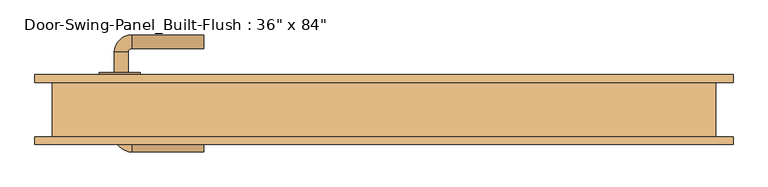
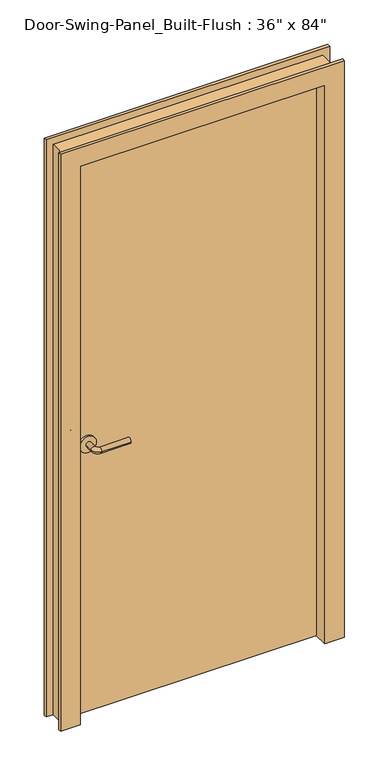
"""IFC4 building model written with IfcOpenShell, lengths in millimetres: door geometry."""

from ifc_helpers import new_model, si_unit, point, frame, frame_2d, origin, origin_with_axes, place, context, project, spatial, polyline, circle_curve, ellipse_curve, trimmed, segment, composite_curve, outline, extrude, faceted_brep, source, transform, mapped, element, save
from ifc_brep_helpers import plane_surface, cylinder_surface, revolved_surface, advanced_brep


def door_cb421bfc(model_context):
    return source(origin(), model_context, "Body", "SolidModel", [
        advanced_brep(
        [(-392.190625, -0.0623368, 1016.0), (-372.190625, -0.0623368, 1016.0), (-372.190625, -30.0623368, 1016.0), (-392.190625, -30.0623368, 1016.0), (-367.190625, -35.0623368, 1016.0), (-367.190625, -55.0623368, 1016.0), (-262.190625, -55.0623368, 1016.0), (-262.190625, -35.0623368, 1016.0)],
        [
            (0, 1, circle_curve(frame((-382.190625, -0.0623368, 1016.0), z_axis=(0.0, 1.0, 0.0), x_axis=(1.0, 0.0, 0.0)), 10.0)),
            (1, 0, circle_curve(frame((-382.190625, -0.0623368, 1016.0), z_axis=(0.0, 1.0, 0.0), x_axis=(1.0, 0.0, 0.0)), 10.0)),
            (1, 2),
            (2, 3, circle_curve(frame((-382.190625, -30.0623368, 1016.0), z_axis=(0.0, 1.0, 0.0), x_axis=(1.0, 0.0, 0.0)), 10.0)),
            (3, 0),
            (3, 2, circle_curve(frame((-382.190625, -30.0623368, 1016.0), z_axis=(0.0, 1.0, 0.0), x_axis=(1.0, 0.0, 0.0)), 10.0)),
            (4, 5, circle_curve(frame((-367.190625, -45.0623368, 1016.0), z_axis=(-1.0, 0.0, 0.0), x_axis=(0.0, 1.0, 0.0)), 10.0)),
            (5, 3, circle_curve(frame((-367.190625, -30.0623368, 1016.0), z_axis=(0.0, 0.0, -1.0), x_axis=(-1.0, 0.0, 0.0)), 25.0)),
            (2, 4, circle_curve(frame((-367.190625, -30.0623368, 1016.0), z_axis=(0.0, 0.0, 1.0), x_axis=(-1.0, 0.0, 0.0)), 5.0)),
            (5, 4, circle_curve(frame((-367.190625, -45.0623368, 1016.0), z_axis=(-1.0, 0.0, 0.0), x_axis=(0.0, 1.0, 0.0)), 10.0)),
            (6, 7, circle_curve(frame((-262.190625, -45.0623368, 1016.0), z_axis=(1.0, 0.0, 0.0), x_axis=(0.0, 1.0, 0.0)), 10.0)),
            (7, 6, circle_curve(frame((-262.190625, -45.0623368, 1016.0), z_axis=(1.0, 0.0, 0.0), x_axis=(0.0, 1.0, 0.0)), 10.0)),
            (4, 7),
            (6, 5),
        ],
        [
            plane_surface(frame((-382.190625, -0.0623368, 1016.0), z_axis=(0.0, 1.0, 0.0), x_axis=(0.0, 0.0, 1.0))),
            cylinder_surface(frame((-382.190625, -0.0623368, 1016.0), z_axis=(0.0, 1.0, 0.0), x_axis=(1.0, 0.0, 0.0)), 10.0),
            revolved_surface(trimmed(ellipse_curve(frame((-382.190625, -30.0623368, 1016.0), z_axis=(0.0, -1.0, 0.0), x_axis=(1.0, 0.0, 0.0)), 10.0, 10.0), [point((-392.190625, -30.0623368, 1016.0))], [point((-372.190625, -30.0623368, 1016.0))], True, "CARTESIAN"), (-367.190625, -30.0623368, 1016.0), (0.0, 0.0, -1.0)),
            revolved_surface(trimmed(ellipse_curve(frame((-382.190625, -30.0623368, 1016.0), z_axis=(0.0, -1.0, 0.0), x_axis=(1.0, 0.0, 0.0)), 10.0, 10.0), [point((-372.190625, -30.0623368, 1016.0))], [point((-392.190625, -30.0623368, 1016.0))], True, "CARTESIAN"), (-367.190625, -30.0623368, 1016.0), (0.0, 0.0, -1.0)),
            plane_surface(frame((-262.190625, -45.0623368, 1016.0), z_axis=(1.0, 0.0, 0.0), x_axis=(0.0, 0.0, 1.0))),
            cylinder_surface(frame((-367.190625, -45.0623368, 1016.0), z_axis=(-1.0, 0.0, 0.0), x_axis=(0.0, 1.0, 0.0)), 10.0),
        ],
        [
            (0, [[1, 2]]),
            (1, [[3, 4, 5, -2]]),
            (1, [[-5, 6, -3, -1]]),
            (2, [[7, 8, -4, 9]]),
            (3, [[10, -9, -6, -8]]),
            (4, [[11, 12]]),
            (5, [[13, -11, 14, -7]]),
            (5, [[-14, -12, -13, -10]]),
        ],
    ),
        extrude(outline(composite_curve([segment(trimmed(circle_curve(frame_2d((1016.0, -384.690625)), 30.0), [point((1016.0, -414.690625))], [point((1016.0, -354.690625))], False, "CARTESIAN"), True, "CONTINUOUS"), segment(trimmed(circle_curve(frame_2d((1016.0, -384.690625)), 30.0), [point((1016.0, -354.690625))], [point((1016.0, -414.690625))], False, "CARTESIAN"), True, "CONTINUOUS")], self_intersect=False)), frame((0.0, -0.0623368, 0.0), z_axis=(0.0, 1.0, 0.0), x_axis=(0.0, 0.0, 1.0)), (0.0, 0.0, 1.0), 8.0),
        advanced_brep(
        [(-392.190625, 60.3876632, 1016.0), (-372.190625, 60.3876632, 1016.0), (-392.190625, 90.3876632, 1016.0), (-372.190625, 90.3876632, 1016.0), (-367.190625, 95.3876632, 1016.0), (-367.190625, 115.3876632, 1016.0), (-262.190625, 115.3876632, 1016.0), (-262.190625, 95.3876632, 1016.0)],
        [
            (0, 1, circle_curve(frame((-382.190625, 60.3876632, 1016.0), z_axis=(0.0, -1.0, 0.0), x_axis=(1.0, 0.0, 0.0)), 10.0)),
            (1, 0, circle_curve(frame((-382.190625, 60.3876632, 1016.0), z_axis=(0.0, -1.0, 0.0), x_axis=(1.0, 0.0, 0.0)), 10.0)),
            (0, 2),
            (2, 3, circle_curve(frame((-382.190625, 90.3876632, 1016.0), z_axis=(0.0, -1.0, 0.0), x_axis=(1.0, 0.0, 0.0)), 10.0)),
            (3, 1),
            (3, 2, circle_curve(frame((-382.190625, 90.3876632, 1016.0), z_axis=(0.0, -1.0, 0.0), x_axis=(1.0, 0.0, 0.0)), 10.0)),
            (4, 3, circle_curve(frame((-367.190625, 90.3876632, 1016.0), z_axis=(0.0, 0.0, 1.0), x_axis=(-1.0, 0.0, 0.0)), 5.0)),
            (2, 5, circle_curve(frame((-367.190625, 90.3876632, 1016.0), z_axis=(0.0, 0.0, -1.0), x_axis=(-1.0, 0.0, 0.0)), 25.0)),
            (5, 4, circle_curve(frame((-367.190625, 105.3876632, 1016.0), z_axis=(-1.0, 0.0, 0.0), x_axis=(0.0, -1.0, 0.0)), 10.0)),
            (4, 5, circle_curve(frame((-367.190625, 105.3876632, 1016.0), z_axis=(-1.0, 0.0, 0.0), x_axis=(0.0, -1.0, 0.0)), 10.0)),
            (6, 7, circle_curve(frame((-262.190625, 105.3876632, 1016.0), z_axis=(1.0, 0.0, 0.0), x_axis=(0.0, -1.0, 0.0)), 10.0)),
            (7, 6, circle_curve(frame((-262.190625, 105.3876632, 1016.0), z_axis=(1.0, 0.0, 0.0), x_axis=(0.0, -1.0, 0.0)), 10.0)),
            (5, 6),
            (7, 4),
        ],
        [
            plane_surface(frame((-382.190625, 60.3876632, 1016.0), z_axis=(0.0, -1.0, 0.0), x_axis=(0.0, 0.0, 1.0))),
            cylinder_surface(frame((-382.190625, 60.3876632, 1016.0), z_axis=(0.0, -1.0, 0.0), x_axis=(1.0, 0.0, 0.0)), 10.0),
            revolved_surface(trimmed(ellipse_curve(frame((-382.190625, 90.3876632, 1016.0), z_axis=(0.0, -1.0, 0.0), x_axis=(1.0, 0.0, 0.0)), 10.0, 10.0), [point((-392.190625, 90.3876632, 1016.0))], [point((-372.190625, 90.3876632, 1016.0))], True, "CARTESIAN"), (-367.190625, 90.3876632, 1016.0), (0.0, 0.0, -1.0)),
            revolved_surface(trimmed(ellipse_curve(frame((-382.190625, 90.3876632, 1016.0), z_axis=(0.0, -1.0, 0.0), x_axis=(1.0, 0.0, 0.0)), 10.0, 10.0), [point((-372.190625, 90.3876632, 1016.0))], [point((-392.190625, 90.3876632, 1016.0))], True, "CARTESIAN"), (-367.190625, 90.3876632, 1016.0), (0.0, 0.0, -1.0)),
            plane_surface(frame((-262.190625, 105.3876632, 1016.0), z_axis=(1.0, 0.0, 0.0), x_axis=(0.0, 0.0, 1.0))),
            cylinder_surface(frame((-367.190625, 105.3876632, 1016.0), z_axis=(-1.0, 0.0, 0.0), x_axis=(0.0, -1.0, 0.0)), 10.0),
        ],
        [
            (0, [[1, 2]]),
            (1, [[-1, 3, 4, 5]]),
            (1, [[-2, -5, 6, -3]]),
            (2, [[7, -4, 8, 9]]),
            (3, [[-8, -6, -7, 10]]),
            (4, [[11, 12]]),
            (5, [[-9, 13, -12, 14]]),
            (5, [[-10, -14, -11, -13]]),
        ],
    ),
        extrude(outline(composite_curve([segment(trimmed(circle_curve(frame_2d((1016.0, -384.690625)), 30.0), [point((1016.0, -414.690625))], [point((1016.0, -354.690625))], False, "CARTESIAN"), True, "CONTINUOUS"), segment(trimmed(circle_curve(frame_2d((1016.0, -384.690625)), 30.0), [point((1016.0, -354.690625))], [point((1016.0, -414.690625))], False, "CARTESIAN"), True, "CONTINUOUS")], self_intersect=False)), frame((0.0, 52.3876632, 0.0), z_axis=(0.0, 1.0, 0.0), x_axis=(0.0, 0.0, 1.0)), (0.0, 0.0, 1.0), 8.0),
        faceted_brep([(457.2, 57.1501632, 0.0), (508.0, 57.1501632, 0.0), (508.0, 46.0375, 0.0), (482.6, 46.0375, 0.0), (482.6, -33.3375, 0.0), (508.0, -33.3375, 0.0), (508.0, -44.4498368, 0.0), (438.15, -44.4498368, 0.0), (438.15, 7.9376632, 0.0), (457.2, 7.9376632, 0.0), (457.2, 57.1501632, 2133.6), (-457.2, 57.1501632, 2133.6), (-457.2, 57.1501632, 0.0), (-508.0, 57.1501632, 0.0), (-508.0, 57.1501632, 2184.4), (508.0, 57.1501632, 2184.4), (508.0, 46.0375, 2184.4), (-508.0, 46.0375, 2184.4), (-508.0, 46.0375, 0.0), (-482.6, 46.0375, 0.0), (-482.6, 46.0375, 2159.0), (482.6, 46.0375, 2159.0), (482.6, -33.3375, 2159.0), (-482.6, -33.3375, 2159.0), (-482.6, -33.3375, 0.0), (-508.0, -33.3375, 0.0), (-508.0, -33.3375, 2184.4), (508.0, -33.3375, 2184.4), (508.0, -44.4498368, 2184.4), (-508.0, -44.4498368, 2184.4), (-508.0, -44.4498368, 0.0), (-438.15, -44.4498368, 0.0), (-438.15, -44.4498368, 2114.55), (438.15, -44.4498368, 2114.55), (438.15, 7.9376632, 2114.55), (-438.15, 7.9376632, 2114.55), (-438.15, 7.9376632, 0.0), (-457.2, 7.9376632, 0.0), (-457.2, 7.9376632, 2133.6), (457.2, 7.9376632, 2133.6)], [[[0, 1, 2, 3, 4, 5, 6, 7, 8, 9]], [[1, 0, 10, 11, 12, 13, 14, 15]], [[2, 1, 15, 16]], [[3, 2, 16, 17, 18, 19, 20, 21]], [[4, 3, 21, 22]], [[5, 4, 22, 23, 24, 25, 26, 27]], [[6, 5, 27, 28]], [[7, 6, 28, 29, 30, 31, 32, 33]], [[8, 7, 33, 34]], [[9, 8, 34, 35, 36, 37, 38, 39]], [[0, 9, 39, 10]], [[11, 38, 37, 12]], [[12, 37, 36, 31, 30, 25, 24, 19, 18, 13]], [[17, 14, 13, 18]], [[23, 20, 19, 24]], [[29, 26, 25, 30]], [[35, 32, 31, 36]], [[16, 15, 14, 17]], [[22, 21, 20, 23]], [[28, 27, 26, 29]], [[34, 33, 32, 35]], [[10, 39, 38, 11]]]),
        extrude(outline(polyline([(457.2, 7.9376632), (-457.2, 7.9376632), (-457.2, 52.3876632), (457.2, 52.3876632), (457.2, 7.9376632)])), origin_with_axes(), (0.0, 0.0, 1.0), 2133.6),
    ])


if __name__ == "__main__":
    model = new_model("IFC4")
    model_context = context("Model", 3, world=origin())
    ifc_project = project(units=[si_unit("LENGTHUNIT", "METRE", prefix="MILLI")], contexts=[model_context])
    site = spatial("IfcSite", under=ifc_project)
    building = spatial("IfcBuilding", under=site)
    placement = place(None, origin())
    door_shape = door_cb421bfc(model_context)
    element("IfcDoor", 1, ObjectType="Door-Swing-Panel_Built-Flush : 36\" x 84\"", at=placement, inside=building, context=model_context, shape_type="MappedRepresentation", body=[
        mapped(door_shape, transform((0.0, 0.0, 0.0), x_axis=(1.0, 0.0, 0.0), y_axis=(0.0, 1.0, 0.0), z_axis=(0.0, 0.0, 1.0))),
    ])
    save(model, "model.ifc")
